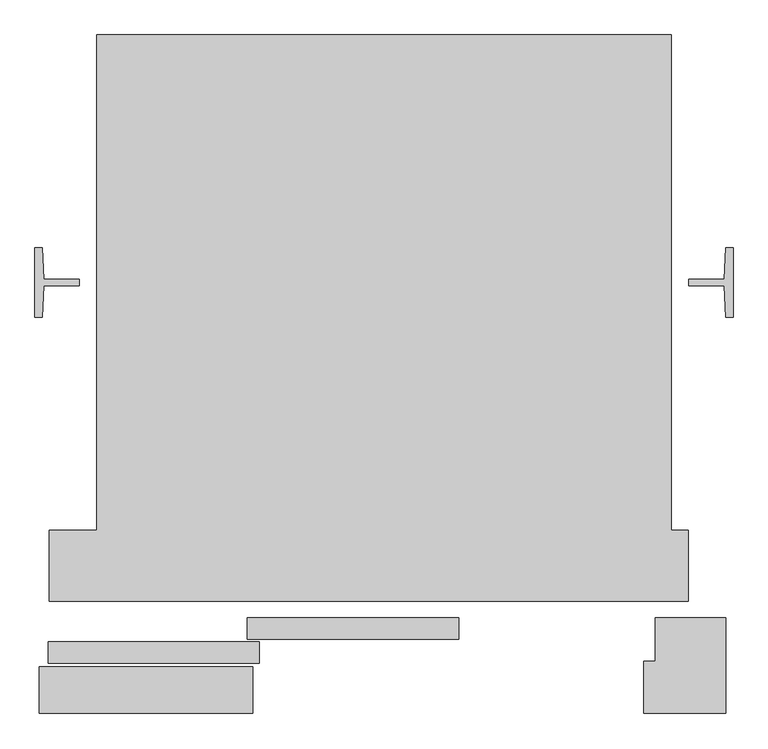
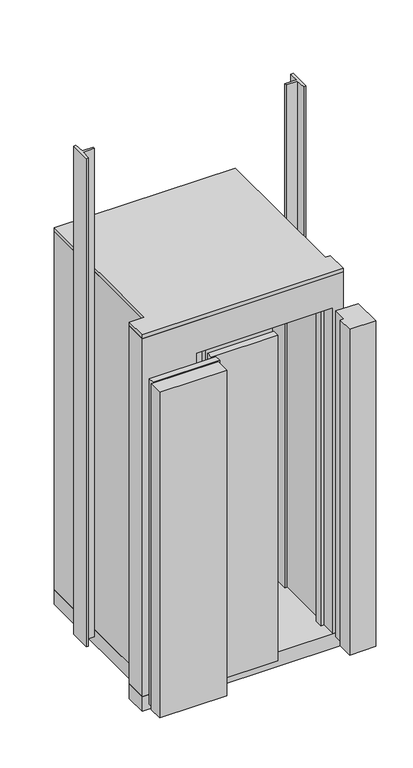
"""IFC4 building model written with IfcOpenShell, lengths in millimetres: proxy geometry."""

from ifc_helpers import new_model, si_unit, frame, origin, origin_with_axes, place, context, project, spatial, polyline, outline, extrude, faceted_brep, source, transform, mapped, element, save


def specialty_equipment_6ced5969(model_context):
    return source(origin(), model_context, "Body", "SolidModel", [
        extrude(outline(polyline([(-400.0, 1140.0000001), (650.0, 1140.0000001), (650.0, 235.0), (681.0, 235.0), (681.0, 105.0), (-486.5, 105.0), (-486.5, 235.0), (-400.0, 235.0), (-400.0, 1140.0000001)])), frame((0.0, 0.0, 2200.0), z_axis=(0.0, 0.0, 1.0), x_axis=(1.0, 0.0, 0.0)), (0.0, 0.0, 1.0), 22.0),
        extrude(outline(polyline([(-448.6220553, 190.9893804), (-62.6220553, 190.9893804), (-62.6220553, 149.3893804), (-448.6220553, 149.3893804), (-448.6220553, 190.9893804)])), origin_with_axes(), (0.0, 0.0, 1.0), 2000.0),
        extrude(outline(polyline([(-114.8301, 144.0), (271.1699, 144.0), (271.1699, 108.9587126), (-114.8301, 108.9587126), (-114.8301, 144.0)])), origin_with_axes(), (0.0, 0.0, 1.0), 2000.0),
        extrude(outline(polyline([(-488.6220553, -8.3893803), (-488.6220553, 30.6106197), (-102.6220553, 30.6106197), (-102.6220553, -8.3893803), (-488.6220553, -8.3893803)])), origin_with_axes(), (0.0, 0.0, 1.0), 2000.0),
        extrude(outline(polyline([(-124.8301, 75.0), (261.1699, 75.0), (261.1699, 36.0), (-124.8301, 36.0), (-124.8301, 75.0)])), origin_with_axes(), (0.0, 0.0, 1.0), 2000.0),
        extrude(outline(polyline([(-400.0, 1140.0000001), (650.0, 1140.0000001), (650.0, 235.0), (681.0, 235.0), (681.0, 105.0), (-486.5, 105.0), (-486.5, 235.0), (-400.0, 235.0), (-400.0, 1140.0000001)])), frame((0.0, 0.0, -90.0), z_axis=(0.0, 0.0, 1.0), x_axis=(1.0, 0.0, 0.0)), (0.0, 0.0, 1.0), 90.0),
        faceted_brep([(-400.0, 1140.0000001, 2200.0), (-400.0, 235.0, 2200.0), (-486.5, 235.0, 2200.0), (-486.5, 105.0, 2200.0), (681.0, 105.0, 2200.0), (681.0, 235.0, 2200.0), (650.0, 235.0, 2200.0), (650.0, 1140.0000001, 2200.0), (-375.0, 1115.0000001, 2200.0), (625.0, 1115.0000001, 2200.0), (625.0, 802.5016433, 2200.0), (610.2454439, 802.5016433, 2200.0), (610.2454439, 572.5016433, 2200.0), (625.0, 572.5016433, 2200.0), (625.0, 235.0, 2200.0), (600.0, 235.0, 2200.0), (600.0, 192.6835257, 2200.0), (621.1699, 192.6835257, 2200.0), (621.1699, 108.9587126, 2200.0), (-458.1228936, 108.9587126, 2200.0), (-458.1228936, 197.0, 2200.0), (-110.3, 197.0, 2200.0), (-110.3, 235.0, 2200.0), (-375.0, 235.0, 2200.0), (-400.0, 1140.0000001, 0.0), (650.0, 1140.0000001, 0.0), (650.0, 235.0, 0.0), (681.0, 235.0, 0.0), (681.0, 105.0, 0.0), (621.1699, 105.0, 0.0), (621.1699, 192.6835257, 0.0), (600.0, 192.6835257, 0.0), (600.0, 235.0, 0.0), (625.0, 235.0, 0.0), (625.0, 572.5016433, 0.0), (610.2454439, 572.5016433, 0.0), (610.2454439, 802.5016433, 0.0), (625.0, 802.5016433, 0.0), (625.0, 1115.0000001, 0.0), (-375.0, 1115.0000001, 0.0), (-375.0, 235.0, 0.0), (-110.3, 235.0, 0.0), (-110.3, 197.0, 0.0), (-458.1228936, 197.0, 0.0), (-458.1228936, 108.9587126, 0.0), (-173.4437103, 108.9587126, 0.0), (-173.4437103, 105.0, 0.0), (-486.5, 105.0, 0.0), (-486.5, 235.0, 0.0), (-400.0, 235.0, 0.0), (-173.4437103, 105.0, 2000.0), (621.1699, 105.0, 2000.0), (621.1699, 108.9587126, 2000.0), (-173.4437103, 108.9587126, 2000.0), (600.0, 192.6835257, 2000.0)], [[[0, 1, 2, 3, 4, 5, 6, 7], [8, 9, 10, 11, 12, 13, 14, 15, 16, 17, 18, 19, 20, 21, 22, 23]], [[24, 25, 26, 27, 28, 29, 30, 31, 32, 33, 34, 35, 36, 37, 38, 39, 40, 41, 42, 43, 44, 45, 46, 47, 48, 49]], [[7, 25, 24, 0]], [[6, 26, 25, 7]], [[5, 27, 26, 6]], [[4, 28, 27, 5]], [[3, 47, 46, 50, 51, 29, 28, 4]], [[2, 48, 47, 3]], [[1, 49, 48, 2]], [[0, 24, 49, 1]], [[23, 40, 39, 8]], [[22, 41, 40, 23]], [[21, 42, 41, 22]], [[20, 43, 42, 21]], [[19, 44, 43, 20]], [[18, 52, 53, 45, 44, 19]], [[17, 30, 29, 51, 52, 18]], [[16, 54, 31, 30, 17]], [[15, 32, 31, 54, 16]], [[14, 33, 32, 15]], [[13, 34, 33, 14]], [[12, 35, 34, 13]], [[11, 36, 35, 12]], [[10, 37, 36, 11]], [[9, 38, 37, 10]], [[8, 39, 38, 9]], [[51, 50, 53, 52]], [[50, 46, 45, 53]]]),
        extrude(outline(polyline([(750.026988, 751.0012199), (763.026988, 751.0012199), (763.026988, 624.0012199), (750.026988, 624.0012199), (747.1132057, 681.3056039), (682.0269884, 681.3056039), (682.0269884, 693.80122), (747.026988, 693.80122), (750.026988, 751.0012199)])), origin_with_axes(), (0.0, 0.0, 1.0), 3000.0),
        extrude(outline(polyline([(-497.026988, 693.80122), (-432.0269884, 693.80122), (-432.0269884, 681.3056039), (-497.1132057, 681.3056039), (-500.026988, 624.0012199), (-513.026988, 624.0012199), (-513.026988, 751.0012199), (-500.026988, 751.0012199), (-497.026988, 693.80122)])), origin_with_axes(), (0.0, 0.0, 1.0), 3000.0),
        extrude(outline(polyline([(-114.9791786, -100.0), (-505.0067971, -100.0), (-505.0067971, -14.4785696), (-114.9791786, -14.4785696), (-114.9791786, -100.0)])), origin_with_axes(), (0.0, 0.0, 1.0), 2000.0),
        extrude(outline(polyline([(600.0, -5.0), (621.1699, -5.0), (621.1699, 75.0), (750.0, 75.0), (750.0, -100.0), (600.0, -100.0), (600.0, -5.0)])), origin_with_axes(), (0.0, 0.0, 1.0), 2000.0),
    ])


if __name__ == "__main__":
    model = new_model("IFC4")
    model_context = context("Model", 3, world=origin())
    ifc_project = project(units=[si_unit("LENGTHUNIT", "METRE", prefix="MILLI")], contexts=[model_context])
    site = spatial("IfcSite", under=ifc_project)
    building = spatial("IfcBuilding", under=site)
    placement = place(None, origin())
    specialty_equipment_shape = specialty_equipment_6ced5969(model_context)
    element("IfcBuildingElementProxy", 1, Name="Specialty Equipment", at=placement, inside=building, context=model_context, shape_type="MappedRepresentation", body=[
        mapped(specialty_equipment_shape, transform((0.0, 0.0, 0.0), x_axis=(1.0, 0.0, 0.0), y_axis=(0.0, 1.0, 0.0), z_axis=(0.0, 0.0, 1.0))),
    ])
    save(model, "model.ifc")
